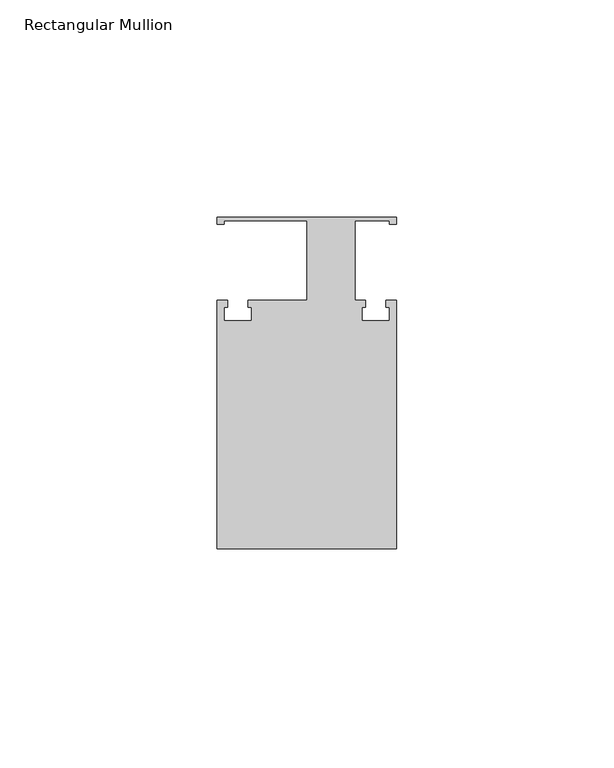
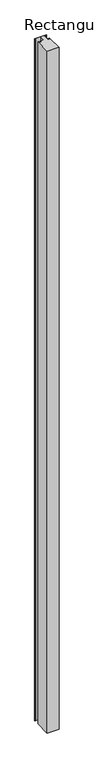
"""IFC4 building model written with IfcOpenShell, lengths in millimetres: member geometry, Rectangular Mullion."""

from ifc_helpers import new_model, si_unit, frame, origin, place, context, project, spatial, polyline, outline, extrude, source, transform, mapped, element, save


def rectangular_mullion_a2261be7(model_context):
    return source(origin(), model_context, "Body", "SweptSolid", [
        extrude(outline(polyline([(20.6375, 38.1), (20.6375, 36.5125), (19.05, 36.5125), (19.05, 37.30625), (11.1125, 37.30625), (11.1125, 19.05), (13.49375, 19.05), (13.49375, 17.4625), (12.7, 17.4625), (12.7, 14.2875), (19.05, 14.2875), (19.05, 17.4625), (18.25625, 17.4625), (18.25625, 19.05), (20.6375, 19.05), (20.6375, -38.1), (-20.6375, -38.1), (-20.6375, 19.05), (-18.25625, 19.05), (-18.25625, 17.4625), (-19.05, 17.4625), (-19.05, 14.2875), (-12.7, 14.2875), (-12.7, 17.4625), (-13.49375, 17.4625), (-13.49375, 19.05), (0.0, 19.05), (0.0, 37.30625), (-19.05, 37.30625), (-19.05, 36.5125), (-20.6375, 36.5125), (-20.6375, 38.1), (20.6375, 38.1)])), frame((0.0, 0.0, -2530.475), z_axis=(0.0, 0.0, 1.0), x_axis=(1.0, 0.0, 0.0)), (0.0, 0.0, 1.0), 2530.475),
    ])


if __name__ == "__main__":
    model = new_model("IFC4")
    model_context = context("Model", 3, world=origin())
    ifc_project = project(units=[si_unit("LENGTHUNIT", "METRE", prefix="MILLI")], contexts=[model_context])
    site = spatial("IfcSite", under=ifc_project)
    building = spatial("IfcBuilding", under=site)
    placement = place(None, origin())
    rectangular_mullion_shape = rectangular_mullion_a2261be7(model_context)
    element("IfcMember", 1, ObjectType="Rectangular Mullion", at=placement, inside=building, context=model_context, shape_type="MappedRepresentation", body=[
        mapped(rectangular_mullion_shape, transform((0.0, 0.0, 0.0), x_axis=(1.0, 0.0, 0.0), y_axis=(0.0, 1.0, 0.0), z_axis=(0.0, 0.0, 1.0))),
    ])
    save(model, "model.ifc")
